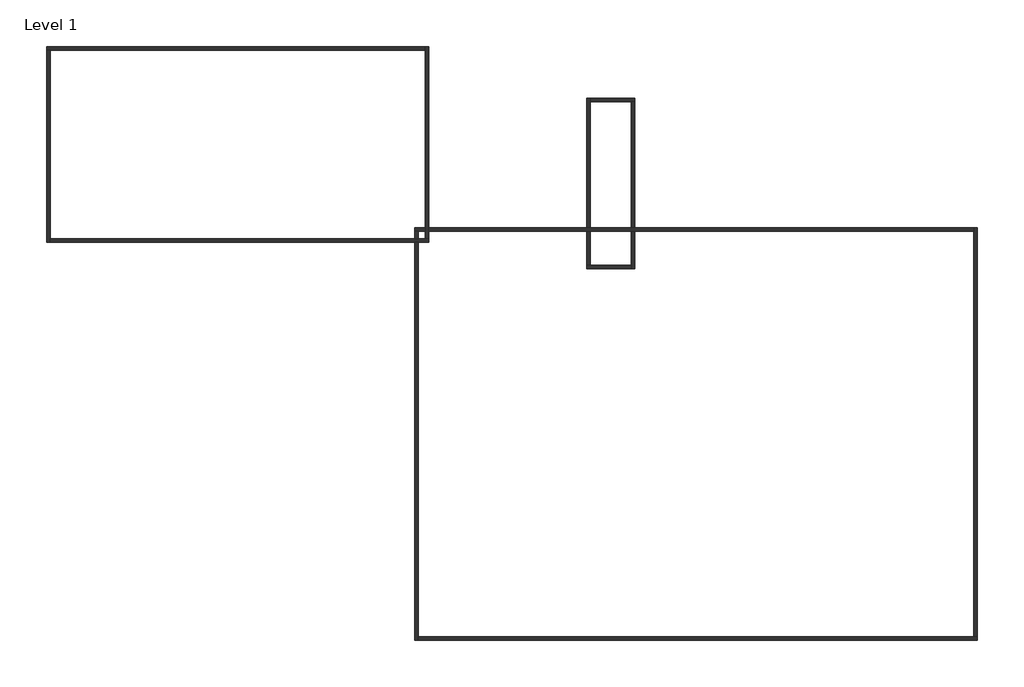
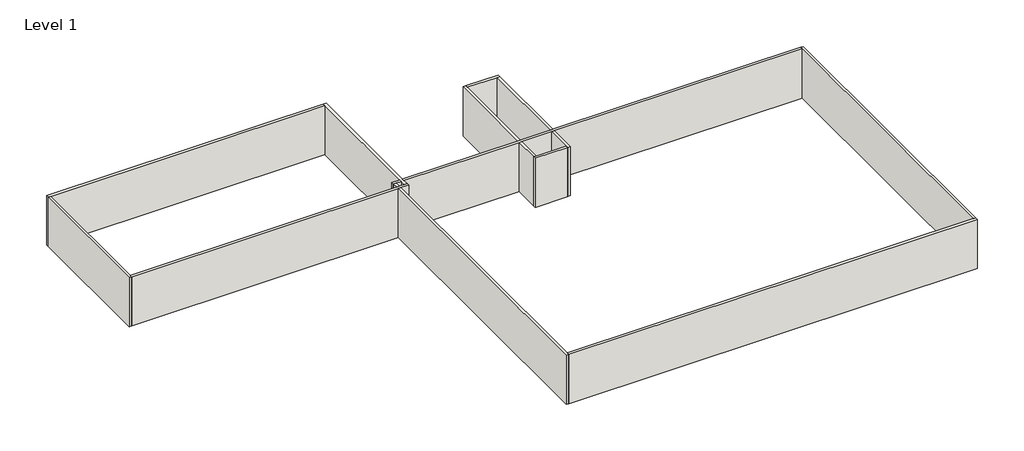
# One storey: 12 walls.
"""IFC4 building model written with IfcOpenShell, lengths in millimetres."""

import ifcopenshell
import ifcopenshell.guid

model = None  # the IFC model being written
_history = None  # IfcOwnerHistory: only IFC2X3 demands one
_inside = {}  # id of a spatial element -> (the spatial element, [elements in it])
_under = {}  # id of a project, library or spatial element -> (it, [spatial elements below it])
_declared = {}  # id of a project -> (the project, [libraries it declares])
_typed = {}  # id of a type object -> (the type object, [elements of that type])
_made_of = {}  # id of a material, layer set ... -> (it, [elements and type objects made of it])


def new_model(schema):
    """Start an empty IFC model of exactly this schema.

    Asked for "IFC4X3", IfcOpenShell would pick the latest addendum, in which some entities
    have other attributes; the version numbers below select the first issue.
    IFC2X3 requires an IfcOwnerHistory on every rooted entity: one is made here for all.
    """
    global model, _history
    if schema == "IFC4X3":
        model = ifcopenshell.file(schema_version=(4, 3, 0, 0))
    else:
        model = ifcopenshell.file(schema=schema)
    _inside.clear()
    _under.clear()
    _declared.clear()
    _typed.clear()
    _made_of.clear()
    _history = None
    if model.schema == "IFC2X3":
        org = make("IfcOrganization", Name="unknown")
        user = make(
            "IfcPersonAndOrganization",
            ThePerson=make("IfcPerson", FamilyName="unknown"),
            TheOrganization=org,
        )
        app = make(
            "IfcApplication",
            ApplicationDeveloper=org,
            Version="unknown",
            ApplicationFullName="unknown",
            ApplicationIdentifier="unknown",
        )
        _history = make(
            "IfcOwnerHistory",
            OwningUser=user,
            OwningApplication=app,
            ChangeAction="ADDED",
            CreationDate=0,
        )
    return model


def make(cls, **values):
    """One entity of the class cls with the attributes given. An attribute that is None is left unset."""
    return model.create_entity(
        cls, **{name: value for name, value in values.items() if value is not None}
    )


def rooted(cls, **values):
    """An entity with a GlobalId (a new one), such as an element, a storey or a relation."""
    return make(cls, GlobalId=ifcopenshell.guid.new(), OwnerHistory=_history, **values)


def si_unit(unit_type, name, prefix=None):
    """IfcSIUnit, for example si_unit("LENGTHUNIT", "METRE", prefix="MILLI")."""
    return make("IfcSIUnit", UnitType=unit_type, Prefix=prefix, Name=name)


def assignment(units):
    """IfcUnitAssignment: the units of a project."""
    return None if units is None else make("IfcUnitAssignment", Units=units)


def point(xyz):
    """IfcCartesianPoint."""
    return None if xyz is None else make("IfcCartesianPoint", Coordinates=xyz)


def direction(xyz):
    """IfcDirection."""
    return None if xyz is None else make("IfcDirection", DirectionRatios=xyz)


def frame(location, z_axis=None, x_axis=None):
    """IfcAxis2Placement3D, a coordinate frame: its origin and axes. An axis left out is left unset."""
    return make(
        "IfcAxis2Placement3D",
        Location=point(location),
        Axis=direction(z_axis),
        RefDirection=direction(x_axis),
    )


def origin():
    """The frame at (0, 0, 0) with its axes left unset."""
    return frame((0.0, 0.0, 0.0))


def place(relative_to, where):
    """IfcLocalPlacement: puts the frame where relative to a parent placement (None: the world)."""
    return make(
        "IfcLocalPlacement", PlacementRelTo=relative_to, RelativePlacement=where
    )


def context(
    kind, dimensions, precision=None, world=None, true_north=None, identifier=None
):
    """IfcGeometricRepresentationContext, for example the 3D "Model" context."""
    return make(
        "IfcGeometricRepresentationContext",
        ContextIdentifier=identifier,
        ContextType=kind,
        CoordinateSpaceDimension=dimensions,
        Precision=precision,
        WorldCoordinateSystem=world,
        TrueNorth=true_north,
    )


def project(units=None, contexts=None):
    """IfcProject with its units and contexts."""
    return rooted(
        "IfcProject",
        Name="project",
        RepresentationContexts=contexts,
        UnitsInContext=assignment(units),
    )


def spatial(cls, under=None, at=None, **own):
    """A site, building, storey or space (cls), placed at a placement, below another one or the project."""
    s = rooted(cls, ObjectPlacement=at, **own)
    if under is not None:
        _under.setdefault(under.id(), (under, []))[1].append(s)
    return s


def faces_of(points, faces, orient=None, outer=None):
    """IfcFace entities. A face is a list of loops; a loop is a list of indices into points, from 0.

    orient and outer hold one flag for each loop. By default every Orientation is true, the
    first loop of a face is its IfcFaceOuterBound and the others are IfcFaceBound.
    """
    made = []
    for i, loops in enumerate(faces):
        bounds = []
        for j, loop in enumerate(loops):
            is_outer = j == 0 if outer is None else outer[i][j]
            bounds.append(
                make(
                    "IfcFaceOuterBound" if is_outer else "IfcFaceBound",
                    Bound=make("IfcPolyLoop", Polygon=[points[k] for k in loop]),
                    Orientation=True if orient is None else orient[i][j],
                )
            )
        made.append(make("IfcFace", Bounds=bounds))
    return made


def faceted_brep(points, faces, orient=None, outer=None, voids=None):
    """IfcFacetedBrep: a solid bounded by flat faces; with voids (closed shells), ...WithVoids."""
    shared = [point(p) for p in points]
    hull = make("IfcClosedShell", CfsFaces=faces_of(shared, faces, orient, outer))
    if voids is None:
        return make("IfcFacetedBrep", Outer=hull)
    return make(
        "IfcFacetedBrepWithVoids",
        Outer=hull,
        Voids=[
            make(cls, CfsFaces=faces_of(shared, fs, o, b)) for cls, fs, o, b in voids
        ],
    )


def shape(context_of_items, identifier, shape_type, items):
    """IfcShapeRepresentation: the items that make up one representation, for example the "Body"."""
    return make(
        "IfcShapeRepresentation",
        ContextOfItems=context_of_items,
        RepresentationIdentifier=identifier,
        RepresentationType=shape_type,
        Items=items,
    )


def made_of(thing, what):
    """Note that an element or type object is made of a material, layer set ...; save() writes the relation."""
    if what is not None:
        _made_of.setdefault(what.id(), (what, []))[1].append(thing)
    return thing


def element(
    cls,
    number,
    at=None,
    inside=None,
    cuts=None,
    type_object=None,
    material=None,
    context=None,
    identifier="Body",
    shape_type=None,
    held_by="IfcProductDefinitionShape",
    body=None,
    shapes=None,
    **own,
):
    """One element of the class cls, such as IfcWall. Its Tag is "e" and its number.

    at: its placement. inside: the storey or other place that contains it. cuts: it is an
    opening in that element (IfcRelVoidsElement). A single representation is given by context,
    identifier, shape_type and body (its items); several are given by shapes. held_by: the class
    of the entity that holds the representations. save() writes the other relations.
    """
    e = rooted(cls, Tag="e%d" % number, ObjectPlacement=at, **own)
    if body is not None:
        shapes = [shape(context, identifier, shape_type, body)]
    if shapes is not None:
        e.Representation = make(held_by, Representations=shapes)
    if inside is not None:
        _inside.setdefault(inside.id(), (inside, []))[1].append(e)
    if cuts is not None:
        rooted(
            "IfcRelVoidsElement", RelatingBuildingElement=cuts, RelatedOpeningElement=e
        )
    if type_object is not None:
        _typed.setdefault(type_object.id(), (type_object, []))[1].append(e)
    return made_of(e, material)


def aggregate(whole, parts):
    """IfcRelAggregates: a whole, such as a stair, and the parts it consists of."""
    return rooted("IfcRelAggregates", RelatingObject=whole, RelatedObjects=parts)


def save(model, path):
    """Write the relations noted so far, then the file.

    IfcRelAggregates (storeys below a building ...), IfcRelContainedInSpatialStructure (elements
    in a storey), IfcRelDefinesByType, IfcRelAssociatesMaterial and IfcRelDeclares: one each for
    every whole, place, type object, material and project.
    """
    for whole, parts in _under.values():
        aggregate(whole, parts)
    for where, things in _inside.values():
        rooted(
            "IfcRelContainedInSpatialStructure",
            RelatedElements=things,
            RelatingStructure=where,
        )
    for kind, things in _typed.values():
        rooted("IfcRelDefinesByType", RelatedObjects=things, RelatingType=kind)
    for what, things in _made_of.values():
        rooted("IfcRelAssociatesMaterial", RelatedObjects=things, RelatingMaterial=what)
    for by, libraries in _declared.values():
        rooted("IfcRelDeclares", RelatingContext=by, RelatedDefinitions=libraries)
    model.write(path)


model = new_model("IFC4")

# Units and contexts
model_context = context("Model", 3, world=origin())
ifc_project = project(units=[si_unit("LENGTHUNIT", "METRE", prefix="MILLI")], contexts=[model_context])

# Site, building, storey
site = spatial("IfcSite", under=ifc_project)
building = spatial("IfcBuilding", under=site)
storey = spatial("IfcBuildingStorey", under=building, Name="Level 1", Elevation=0.0)

# Walls
placement = place(None, origin())
element("IfcWall", 1, ObjectType="Wall 1", at=placement, inside=storey, context=model_context, shape_type="Brep", body=[
    faceted_brep([(-5556.9045276, 8237.2078173, 0.0), (-5356.9045276, 8237.2078173, 0.0), (15743.0954724, 8237.2078173, 0.0), (15743.0954724, 8237.2078173, 4000.0), (-5356.9045276, 8237.2078173, 4000.0), (-5556.9045276, 8237.2078173, 4000.0), (-5556.9045276, 8437.2078173, 0.0), (-5556.9045276, 8437.2078173, 4000.0), (15743.0954724, 8437.2078173, 4000.0), (15743.0954724, 8437.2078173, 0.0)], [[[0, 1, 2, 3, 4, 5]], [[6, 7, 8, 9]], [[2, 1, 0, 6, 9]], [[5, 4, 3, 8, 7]], [[0, 5, 7, 6]], [[3, 2, 9, 8]]]),
])
element("IfcWall", 2, ObjectType="Wall 1", at=placement, inside=storey, context=model_context, shape_type="Brep", body=[
    faceted_brep([(-5356.9045276, -2555.8249717, 0.0), (-5356.9045276, -2355.8249717, 0.0), (-5356.9045276, 8237.2078173, 0.0), (-5356.9045276, 8237.2078173, 4000.0), (-5356.9045276, -2355.8249717, 4000.0), (-5356.9045276, -2555.8249717, 4000.0), (-5556.9045276, -2555.8249717, 0.0), (-5556.9045276, -2555.8249717, 4000.0), (-5556.9045276, 8237.2078173, 4000.0), (-5556.9045276, 8237.2078173, 0.0)], [[[0, 1, 2, 3, 4, 5]], [[6, 7, 8, 9]], [[2, 1, 0, 6, 9]], [[5, 4, 3, 8, 7]], [[0, 5, 7, 6]], [[3, 2, 9, 8]]]),
])
element("IfcWall", 3, ObjectType="Wall 1", at=placement, inside=storey, context=model_context, shape_type="Brep", body=[
    faceted_brep([(15943.0954724, -2355.8249717, 0.0), (15743.0954724, -2355.8249717, 0.0), (15333.4954724, -2355.8249717, 0.0), (15133.4954724, -2355.8249717, 0.0), (-5356.9045276, -2355.8249717, 0.0), (-5356.9045276, -2355.8249717, 4000.0), (15133.4954724, -2355.8249717, 4000.0), (15333.4954724, -2355.8249717, 4000.0), (15743.0954724, -2355.8249717, 4000.0), (15943.0954724, -2355.8249717, 4000.0), (15943.0954724, -2555.8249717, 0.0), (15943.0954724, -2555.8249717, 4000.0), (15333.4954724, -2555.8249717, 4000.0), (15133.4954724, -2555.8249717, 4000.0), (-5356.9045276, -2555.8249717, 4000.0), (-5356.9045276, -2555.8249717, 0.0), (15133.4954724, -2555.8249717, 0.0), (15333.4954724, -2555.8249717, 0.0)], [[[0, 1, 2, 3, 4, 5, 6, 7, 8, 9]], [[10, 11, 12, 13, 14, 15, 16, 17]], [[4, 3, 2, 1, 0, 10, 17, 16, 15]], [[9, 8, 7, 6, 5, 14, 13, 12, 11]], [[0, 9, 11, 10]], [[5, 4, 15, 14]]]),
])
element("IfcWall", 4, ObjectType="Wall 1", at=placement, inside=storey, context=model_context, shape_type="Brep", body=[
    faceted_brep([(15743.0954724, 8437.2078173, 0.0), (15743.0954724, 8237.2078173, 0.0), (15743.0954724, -1746.2249717, 0.0), (15743.0954724, -1946.2249717, 0.0), (15743.0954724, -2355.8249717, 0.0), (15743.0954724, -2355.8249717, 4000.0), (15743.0954724, -1946.2249717, 4000.0), (15743.0954724, -1746.2249717, 4000.0), (15743.0954724, 8237.2078173, 4000.0), (15743.0954724, 8437.2078173, 4000.0), (15943.0954724, 8437.2078173, 0.0), (15943.0954724, 8437.2078173, 4000.0), (15943.0954724, -1746.2249717, 4000.0), (15943.0954724, -1946.2249717, 4000.0), (15943.0954724, -2355.8249717, 4000.0), (15943.0954724, -2355.8249717, 0.0), (15943.0954724, -1946.2249717, 0.0), (15943.0954724, -1746.2249717, 0.0)], [[[0, 1, 2, 3, 4, 5, 6, 7, 8, 9]], [[10, 11, 12, 13, 14, 15, 16, 17]], [[4, 3, 2, 1, 0, 10, 17, 16, 15]], [[9, 8, 7, 6, 5, 14, 13, 12, 11]], [[0, 9, 11, 10]], [[5, 4, 15, 14]]]),
])
element("IfcWall", 5, ObjectType="Wall 1", at=placement, inside=storey, context=model_context, shape_type="Brep", body=[
    faceted_brep([(46777.6108094, -24746.2249717, 0.0), (46577.6108094, -24746.2249717, 0.0), (15333.4954724, -24746.2249717, 0.0), (15333.4954724, -24746.2249717, 4000.0), (46577.6108094, -24746.2249717, 4000.0), (46777.6108094, -24746.2249717, 4000.0), (46777.6108094, -24946.2249717, 0.0), (46777.6108094, -24946.2249717, 4000.0), (15333.4954724, -24946.2249717, 4000.0), (15333.4954724, -24946.2249717, 0.0)], [[[0, 1, 2, 3, 4, 5]], [[6, 7, 8, 9]], [[2, 1, 0, 6, 9]], [[5, 4, 3, 8, 7]], [[0, 5, 7, 6]], [[3, 2, 9, 8]]]),
])
element("IfcWall", 6, ObjectType="Wall 1", at=placement, inside=storey, context=model_context, shape_type="Brep", body=[
    faceted_brep([(46577.6108094, -1746.2249717, 0.0), (46577.6108094, -1946.2249717, 0.0), (46577.6108094, -24746.2249717, 0.0), (46577.6108094, -24746.2249717, 4000.0), (46577.6108094, -1946.2249717, 4000.0), (46577.6108094, -1746.2249717, 4000.0), (46777.6108094, -1746.2249717, 0.0), (46777.6108094, -1746.2249717, 4000.0), (46777.6108094, -24746.2249717, 4000.0), (46777.6108094, -24746.2249717, 0.0)], [[[0, 1, 2, 3, 4, 5]], [[6, 7, 8, 9]], [[2, 1, 0, 6, 9]], [[5, 4, 3, 8, 7]], [[0, 5, 7, 6]], [[3, 2, 9, 8]]]),
])
element("IfcWall", 7, ObjectType="Wall 1", at=placement, inside=storey, context=model_context, shape_type="Brep", body=[
    faceted_brep([(46577.6108094, -1946.2249717, 0.0), (46577.6108094, -1946.2249717, 4000.0), (27509.3959262, -1946.2249717, 4000.0), (27309.3959262, -1946.2249717, 4000.0), (25009.3959262, -1946.2249717, 4000.0), (24809.3959262, -1946.2249717, 4000.0), (15943.0954724, -1946.2249717, 4000.0), (15943.0954724, -1946.2249717, 0.0), (24809.3959262, -1946.2249717, 0.0), (25009.3959262, -1946.2249717, 0.0), (27309.3959262, -1946.2249717, 0.0), (27509.3959262, -1946.2249717, 0.0), (46577.6108094, -1746.2249717, 4000.0), (46577.6108094, -1746.2249717, 0.0), (27509.3959262, -1746.2249717, 0.0), (27309.3959262, -1746.2249717, 0.0), (25009.3959262, -1746.2249717, 0.0), (24809.3959262, -1746.2249717, 0.0), (15943.0954724, -1746.2249717, 0.0), (15943.0954724, -1746.2249717, 4000.0), (24809.3959262, -1746.2249717, 4000.0), (25009.3959262, -1746.2249717, 4000.0), (27309.3959262, -1746.2249717, 4000.0), (27509.3959262, -1746.2249717, 4000.0)], [[[0, 1, 2, 3, 4, 5, 6, 7, 8, 9, 10, 11]], [[12, 13, 14, 15, 16, 17, 18, 19, 20, 21, 22, 23]], [[13, 0, 11, 10, 9, 8, 7, 18, 17, 16, 15, 14]], [[1, 12, 23, 22, 21, 20, 19, 6, 5, 4, 3, 2]], [[1, 0, 13, 12]], [[7, 6, 19, 18]]]),
    faceted_brep([(15133.4954724, -1946.2249717, 4000.0), (15133.4954724, -1946.2249717, 0.0), (15333.4954724, -1946.2249717, 0.0), (15743.0954724, -1946.2249717, 0.0), (15743.0954724, -1946.2249717, 4000.0), (15333.4954724, -1946.2249717, 4000.0), (15133.4954724, -1746.2249717, 0.0), (15133.4954724, -1746.2249717, 4000.0), (15743.0954724, -1746.2249717, 4000.0), (15743.0954724, -1746.2249717, 0.0)], [[[0, 1, 2, 3, 4, 5]], [[6, 7, 8, 9]], [[1, 6, 9, 3, 2]], [[7, 0, 5, 4, 8]], [[1, 0, 7, 6]], [[4, 3, 9, 8]]]),
])
element("IfcWall", 8, ObjectType="Wall 1", at=placement, inside=storey, context=model_context, shape_type="Brep", body=[
    faceted_brep([(15333.4954724, -1946.2249717, 0.0), (15333.4954724, -1946.2249717, 4000.0), (15333.4954724, -2355.8249717, 4000.0), (15333.4954724, -2355.8249717, 0.0), (15133.4954724, -1946.2249717, 4000.0), (15133.4954724, -1946.2249717, 0.0), (15133.4954724, -2355.8249717, 0.0), (15133.4954724, -2355.8249717, 4000.0)], [[[0, 1, 2, 3]], [[4, 5, 6, 7]], [[5, 0, 3, 6]], [[1, 4, 7, 2]], [[1, 0, 5, 4]], [[3, 2, 7, 6]]]),
    faceted_brep([(15333.4954724, -24946.2249717, 4000.0), (15333.4954724, -24946.2249717, 0.0), (15333.4954724, -24746.2249717, 0.0), (15333.4954724, -2555.8249717, 0.0), (15333.4954724, -2555.8249717, 4000.0), (15333.4954724, -24746.2249717, 4000.0), (15133.4954724, -24946.2249717, 0.0), (15133.4954724, -24946.2249717, 4000.0), (15133.4954724, -2555.8249717, 4000.0), (15133.4954724, -2555.8249717, 0.0)], [[[0, 1, 2, 3, 4, 5]], [[6, 7, 8, 9]], [[1, 6, 9, 3, 2]], [[7, 0, 5, 4, 8]], [[1, 0, 7, 6]], [[4, 3, 9, 8]]]),
])
element("IfcWall", 9, ObjectType="Wall 1", at=placement, inside=storey, context=model_context, shape_type="Brep", body=[
    faceted_brep([(27509.3959262, 5533.593874, 0.0), (25009.3959262, 5533.593874, 0.0), (25009.3959262, 5533.593874, 4000.0), (27509.3959262, 5533.593874, 4000.0), (27509.3959262, 5333.593874, 0.0), (27509.3959262, 5333.593874, 4000.0), (27309.3959262, 5333.593874, 4000.0), (25009.3959262, 5333.593874, 4000.0), (25009.3959262, 5333.593874, 0.0), (27309.3959262, 5333.593874, 0.0)], [[[0, 1, 2, 3]], [[4, 5, 6, 7, 8, 9]], [[1, 0, 4, 9, 8]], [[3, 2, 7, 6, 5]], [[0, 3, 5, 4]], [[2, 1, 8, 7]]]),
])
element("IfcWall", 10, ObjectType="Wall 1", at=placement, inside=storey, context=model_context, shape_type="Brep", body=[
    faceted_brep([(27509.3959262, -4066.406126, 4000.0), (27509.3959262, -4066.406126, 0.0), (27509.3959262, -1946.2249717, 0.0), (27509.3959262, -1946.2249717, 4000.0), (27309.3959262, -4066.406126, 0.0), (27309.3959262, -4066.406126, 4000.0), (27309.3959262, -3866.406126, 4000.0), (27309.3959262, -1946.2249717, 4000.0), (27309.3959262, -1946.2249717, 0.0), (27309.3959262, -3866.406126, 0.0)], [[[0, 1, 2, 3]], [[4, 5, 6, 7, 8, 9]], [[1, 4, 9, 8, 2]], [[5, 0, 3, 7, 6]], [[1, 0, 5, 4]], [[3, 2, 8, 7]]]),
    faceted_brep([(27509.3959262, 5333.593874, 0.0), (27509.3959262, 5333.593874, 4000.0), (27509.3959262, -1746.2249717, 4000.0), (27509.3959262, -1746.2249717, 0.0), (27309.3959262, 5333.593874, 4000.0), (27309.3959262, 5333.593874, 0.0), (27309.3959262, -1746.2249717, 0.0), (27309.3959262, -1746.2249717, 4000.0)], [[[0, 1, 2, 3]], [[4, 5, 6, 7]], [[5, 0, 3, 6]], [[1, 4, 7, 2]], [[1, 0, 5, 4]], [[3, 2, 7, 6]]]),
])
element("IfcWall", 11, ObjectType="Wall 1", at=placement, inside=storey, context=model_context, shape_type="Brep", body=[
    faceted_brep([(24809.3959262, -4066.406126, 0.0), (27309.3959262, -4066.406126, 0.0), (27309.3959262, -4066.406126, 4000.0), (24809.3959262, -4066.406126, 4000.0), (24809.3959262, -3866.406126, 0.0), (24809.3959262, -3866.406126, 4000.0), (25009.3959262, -3866.406126, 4000.0), (27309.3959262, -3866.406126, 4000.0), (27309.3959262, -3866.406126, 0.0), (25009.3959262, -3866.406126, 0.0)], [[[0, 1, 2, 3]], [[4, 5, 6, 7, 8, 9]], [[1, 0, 4, 9, 8]], [[3, 2, 7, 6, 5]], [[0, 3, 5, 4]], [[2, 1, 8, 7]]]),
])
element("IfcWall", 12, ObjectType="Wall 1", at=placement, inside=storey, context=model_context, shape_type="Brep", body=[
    faceted_brep([(24809.3959262, 5533.593874, 4000.0), (24809.3959262, 5533.593874, 0.0), (24809.3959262, -1746.2249717, 0.0), (24809.3959262, -1746.2249717, 4000.0), (25009.3959262, 5533.593874, 0.0), (25009.3959262, 5533.593874, 4000.0), (25009.3959262, 5333.593874, 4000.0), (25009.3959262, -1746.2249717, 4000.0), (25009.3959262, -1746.2249717, 0.0), (25009.3959262, 5333.593874, 0.0)], [[[0, 1, 2, 3]], [[4, 5, 6, 7, 8, 9]], [[1, 4, 9, 8, 2]], [[5, 0, 3, 7, 6]], [[1, 0, 5, 4]], [[3, 2, 8, 7]]]),
    faceted_brep([(24809.3959262, -3866.406126, 0.0), (24809.3959262, -3866.406126, 4000.0), (24809.3959262, -1946.2249717, 4000.0), (24809.3959262, -1946.2249717, 0.0), (25009.3959262, -3866.406126, 4000.0), (25009.3959262, -3866.406126, 0.0), (25009.3959262, -1946.2249717, 0.0), (25009.3959262, -1946.2249717, 4000.0)], [[[0, 1, 2, 3]], [[4, 5, 6, 7]], [[5, 0, 3, 6]], [[1, 4, 7, 2]], [[1, 0, 5, 4]], [[3, 2, 7, 6]]]),
])

save(model, "model.ifc")
